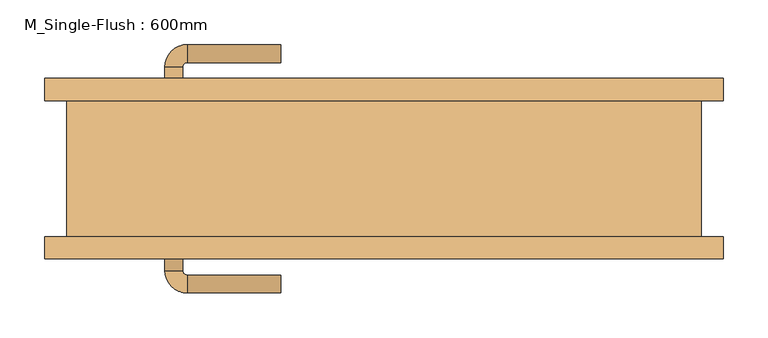
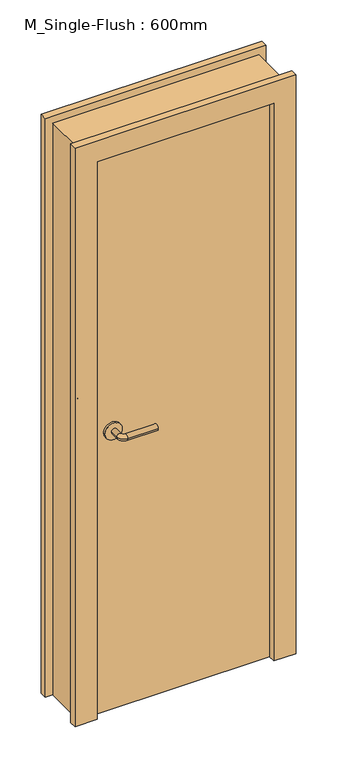
"""IFC4 building model written with IfcOpenShell, lengths in millimetres: door geometry, M_Single-Flush : 600mm."""

from ifc_helpers import new_model, si_unit, point, frame, frame_2d, origin, origin_with_axes, place, context, project, spatial, polyline, circle_curve, ellipse_curve, trimmed, segment, composite_curve, outline, extrude, source, transform, mapped, element, save
from ifc_brep_helpers import plane_surface, cylinder_surface, revolved_surface, advanced_brep


def m_single_flush_600mm_379a7f40(model_context):
    return source(origin(), model_context, "Body", "SolidModel", [
        advanced_brep(
        [(-247.3389046, -84.2, 1016.0), (-227.3389046, -84.2, 1016.0), (-227.3389046, -114.2, 1016.0), (-247.3389046, -114.2, 1016.0), (-222.3389046, -119.2, 1016.0), (-222.3389046, -139.2, 1016.0), (-117.3389046, -139.2, 1016.0), (-117.3389046, -119.2, 1016.0)],
        [
            (0, 1, circle_curve(frame((-237.3389046, -84.2, 1016.0), z_axis=(0.0, 1.0, 0.0), x_axis=(1.0, 0.0, 0.0)), 10.0)),
            (1, 0, circle_curve(frame((-237.3389046, -84.2, 1016.0), z_axis=(0.0, 1.0, 0.0), x_axis=(1.0, 0.0, 0.0)), 10.0)),
            (1, 2),
            (2, 3, circle_curve(frame((-237.3389046, -114.2, 1016.0), z_axis=(0.0, 1.0, 0.0), x_axis=(1.0, 0.0, 0.0)), 10.0)),
            (3, 0),
            (3, 2, circle_curve(frame((-237.3389046, -114.2, 1016.0), z_axis=(0.0, 1.0, 0.0), x_axis=(1.0, 0.0, 0.0)), 10.0)),
            (4, 5, circle_curve(frame((-222.3389046, -129.2, 1016.0), z_axis=(-1.0, 0.0, 0.0), x_axis=(0.0, 1.0, 0.0)), 10.0)),
            (5, 3, circle_curve(frame((-222.3389046, -114.2, 1016.0), z_axis=(0.0, 0.0, -1.0), x_axis=(-1.0, 0.0, 0.0)), 25.0)),
            (2, 4, circle_curve(frame((-222.3389046, -114.2, 1016.0), z_axis=(0.0, 0.0, 1.0), x_axis=(-1.0, 0.0, 0.0)), 5.0)),
            (5, 4, circle_curve(frame((-222.3389046, -129.2, 1016.0), z_axis=(-1.0, 0.0, 0.0), x_axis=(0.0, 1.0, 0.0)), 10.0)),
            (6, 7, circle_curve(frame((-117.3389046, -129.2, 1016.0), z_axis=(1.0, 0.0, 0.0), x_axis=(0.0, 1.0, 0.0)), 10.0)),
            (7, 6, circle_curve(frame((-117.3389046, -129.2, 1016.0), z_axis=(1.0, 0.0, 0.0), x_axis=(0.0, 1.0, 0.0)), 10.0)),
            (4, 7),
            (6, 5),
        ],
        [
            plane_surface(frame((-237.3389046, -84.2, 1016.0), z_axis=(0.0, 1.0, 0.0), x_axis=(0.0, 0.0, 1.0))),
            cylinder_surface(frame((-237.3389046, -84.2, 1016.0), z_axis=(0.0, 1.0, 0.0), x_axis=(1.0, 0.0, 0.0)), 10.0),
            revolved_surface(trimmed(ellipse_curve(frame((-237.3389046, -114.2, 1016.0), z_axis=(0.0, -1.0, 0.0), x_axis=(1.0, 0.0, 0.0)), 10.0, 10.0), [point((-247.3389046, -114.2, 1016.0))], [point((-227.3389046, -114.2, 1016.0))], True, "CARTESIAN"), (-222.3389046, -114.2, 1016.0), (0.0, 0.0, -1.0)),
            revolved_surface(trimmed(ellipse_curve(frame((-237.3389046, -114.2, 1016.0), z_axis=(0.0, -1.0, 0.0), x_axis=(1.0, 0.0, 0.0)), 10.0, 10.0), [point((-227.3389046, -114.2, 1016.0))], [point((-247.3389046, -114.2, 1016.0))], True, "CARTESIAN"), (-222.3389046, -114.2, 1016.0), (0.0, 0.0, -1.0)),
            plane_surface(frame((-117.3389046, -129.2, 1016.0), z_axis=(1.0, 0.0, 0.0), x_axis=(0.0, 0.0, 1.0))),
            cylinder_surface(frame((-222.3389046, -129.2, 1016.0), z_axis=(-1.0, 0.0, 0.0), x_axis=(0.0, 1.0, 0.0)), 10.0),
        ],
        [
            (0, [[1, 2]]),
            (1, [[3, 4, 5, -2]]),
            (1, [[-5, 6, -3, -1]]),
            (2, [[7, 8, -4, 9]]),
            (3, [[10, -9, -6, -8]]),
            (4, [[11, 12]]),
            (5, [[13, -11, 14, -7]]),
            (5, [[-14, -12, -13, -10]]),
        ],
    ),
        extrude(outline(composite_curve([segment(trimmed(circle_curve(frame_2d((1016.0, -239.8389046)), 30.0), [point((1016.0, -269.8389046))], [point((1016.0, -209.8389046))], False, "CARTESIAN"), True, "CONTINUOUS"), segment(trimmed(circle_curve(frame_2d((1016.0, -239.8389046)), 30.0), [point((1016.0, -209.8389046))], [point((1016.0, -269.8389046))], False, "CARTESIAN"), True, "CONTINUOUS")], self_intersect=False)), frame((0.0, -84.2, 0.0), z_axis=(0.0, 1.0, 0.0), x_axis=(0.0, 0.0, 1.0)), (0.0, 0.0, 1.0), 8.0),
        advanced_brep(
        [(-247.3389046, 84.2, 1016.0), (-227.3389046, 84.2, 1016.0), (-247.3389046, 114.2, 1016.0), (-227.3389046, 114.2, 1016.0), (-222.3389046, 119.2, 1016.0), (-222.3389046, 139.2, 1016.0), (-117.3389046, 139.2, 1016.0), (-117.3389046, 119.2, 1016.0)],
        [
            (0, 1, circle_curve(frame((-237.3389046, 84.2, 1016.0), z_axis=(0.0, -1.0, 0.0), x_axis=(1.0, 0.0, 0.0)), 10.0)),
            (1, 0, circle_curve(frame((-237.3389046, 84.2, 1016.0), z_axis=(0.0, -1.0, 0.0), x_axis=(1.0, 0.0, 0.0)), 10.0)),
            (0, 2),
            (2, 3, circle_curve(frame((-237.3389046, 114.2, 1016.0), z_axis=(0.0, -1.0, 0.0), x_axis=(1.0, 0.0, 0.0)), 10.0)),
            (3, 1),
            (3, 2, circle_curve(frame((-237.3389046, 114.2, 1016.0), z_axis=(0.0, -1.0, 0.0), x_axis=(1.0, 0.0, 0.0)), 10.0)),
            (4, 3, circle_curve(frame((-222.3389046, 114.2, 1016.0), z_axis=(0.0, 0.0, 1.0), x_axis=(-1.0, 0.0, 0.0)), 5.0)),
            (2, 5, circle_curve(frame((-222.3389046, 114.2, 1016.0), z_axis=(0.0, 0.0, -1.0), x_axis=(-1.0, 0.0, 0.0)), 25.0)),
            (5, 4, circle_curve(frame((-222.3389046, 129.2, 1016.0), z_axis=(-1.0, 0.0, 0.0), x_axis=(0.0, -1.0, 0.0)), 10.0)),
            (4, 5, circle_curve(frame((-222.3389046, 129.2, 1016.0), z_axis=(-1.0, 0.0, 0.0), x_axis=(0.0, -1.0, 0.0)), 10.0)),
            (6, 7, circle_curve(frame((-117.3389046, 129.2, 1016.0), z_axis=(1.0, 0.0, 0.0), x_axis=(0.0, -1.0, 0.0)), 10.0)),
            (7, 6, circle_curve(frame((-117.3389046, 129.2, 1016.0), z_axis=(1.0, 0.0, 0.0), x_axis=(0.0, -1.0, 0.0)), 10.0)),
            (5, 6),
            (7, 4),
        ],
        [
            plane_surface(frame((-237.3389046, 84.2, 1016.0), z_axis=(0.0, -1.0, 0.0), x_axis=(0.0, 0.0, 1.0))),
            cylinder_surface(frame((-237.3389046, 84.2, 1016.0), z_axis=(0.0, -1.0, 0.0), x_axis=(1.0, 0.0, 0.0)), 10.0),
            revolved_surface(trimmed(ellipse_curve(frame((-237.3389046, 114.2, 1016.0), z_axis=(0.0, -1.0, 0.0), x_axis=(1.0, 0.0, 0.0)), 10.0, 10.0), [point((-247.3389046, 114.2, 1016.0))], [point((-227.3389046, 114.2, 1016.0))], True, "CARTESIAN"), (-222.3389046, 114.2, 1016.0), (0.0, 0.0, -1.0)),
            revolved_surface(trimmed(ellipse_curve(frame((-237.3389046, 114.2, 1016.0), z_axis=(0.0, -1.0, 0.0), x_axis=(1.0, 0.0, 0.0)), 10.0, 10.0), [point((-227.3389046, 114.2, 1016.0))], [point((-247.3389046, 114.2, 1016.0))], True, "CARTESIAN"), (-222.3389046, 114.2, 1016.0), (0.0, 0.0, -1.0)),
            plane_surface(frame((-117.3389046, 129.2, 1016.0), z_axis=(1.0, 0.0, 0.0), x_axis=(0.0, 0.0, 1.0))),
            cylinder_surface(frame((-222.3389046, 129.2, 1016.0), z_axis=(-1.0, 0.0, 0.0), x_axis=(0.0, -1.0, 0.0)), 10.0),
        ],
        [
            (0, [[1, 2]]),
            (1, [[-1, 3, 4, 5]]),
            (1, [[-2, -5, 6, -3]]),
            (2, [[7, -4, 8, 9]]),
            (3, [[-8, -6, -7, 10]]),
            (4, [[11, 12]]),
            (5, [[-9, 13, -12, 14]]),
            (5, [[-10, -14, -11, -13]]),
        ],
    ),
        extrude(outline(composite_curve([segment(trimmed(circle_curve(frame_2d((1016.0, -239.8389046)), 30.0), [point((1016.0, -269.8389046))], [point((1016.0, -209.8389046))], False, "CARTESIAN"), True, "CONTINUOUS"), segment(trimmed(circle_curve(frame_2d((1016.0, -239.8389046)), 30.0), [point((1016.0, -209.8389046))], [point((1016.0, -269.8389046))], False, "CARTESIAN"), True, "CONTINUOUS")], self_intersect=False)), frame((0.0, 76.2, 0.0), z_axis=(0.0, 1.0, 0.0), x_axis=(0.0, 0.0, 1.0)), (0.0, 0.0, 1.0), 8.0),
        extrude(outline(polyline([(2108.0, -382.3482796), (0.0, -382.3482796), (0.0, -306.3482796), (2032.0, -306.3482796), (2032.0, 303.2517204), (0.0, 303.2517204), (0.0, 379.2517204), (2108.0, 379.2517204), (2108.0, -382.3482796)])), frame((0.0, 76.2, 0.0), z_axis=(0.0, 1.0, 0.0), x_axis=(0.0, 0.0, 1.0)), (0.0, 0.0, 1.0), 25.0),
        extrude(outline(polyline([(2108.0, 379.2517204), (2108.0, -382.3482796), (0.0, -382.3482796), (0.0, -306.3482796), (2032.0, -306.3482796), (2032.0, 303.2517204), (0.0, 303.2517204), (0.0, 379.2517204), (2108.0, 379.2517204)])), frame((0.0, -101.2, 0.0), z_axis=(0.0, 1.0, 0.0), x_axis=(0.0, 0.0, 1.0)), (0.0, 0.0, 1.0), 25.0),
        extrude(outline(polyline([(303.2517204, -76.2), (-306.3482796, -76.2), (-306.3482796, 76.2), (303.2517204, 76.2), (303.2517204, -76.2)])), origin_with_axes(), (0.0, 0.0, 1.0), 2032.0),
        extrude(outline(polyline([(0.0, 303.2517204), (0.0, 354.2517204), (2083.0, 354.2517204), (2083.0, -357.3482796), (0.0, -357.3482796), (0.0, -306.3482796), (2032.0, -306.3482796), (2032.0, 303.2517204), (0.0, 303.2517204)])), frame((0.0, -76.2, 0.0), z_axis=(0.0, 1.0, 0.0), x_axis=(0.0, 0.0, 1.0)), (0.0, 0.0, 1.0), 152.4),
    ])


if __name__ == "__main__":
    model = new_model("IFC4")
    model_context = context("Model", 3, world=origin())
    ifc_project = project(units=[si_unit("LENGTHUNIT", "METRE", prefix="MILLI")], contexts=[model_context])
    site = spatial("IfcSite", under=ifc_project)
    building = spatial("IfcBuilding", under=site)
    placement = place(None, origin())
    m_single_flush_600mm_shape = m_single_flush_600mm_379a7f40(model_context)
    element("IfcDoor", 1, ObjectType="M_Single-Flush : 600mm", at=placement, inside=building, context=model_context, shape_type="MappedRepresentation", body=[
        mapped(m_single_flush_600mm_shape, transform((0.0, 0.0, 0.0), x_axis=(1.0, 0.0, 0.0), y_axis=(0.0, 1.0, 0.0), z_axis=(0.0, 0.0, 1.0))),
    ])
    save(model, "model.ifc")
